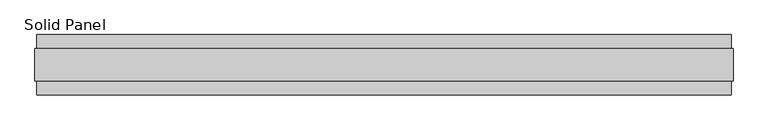
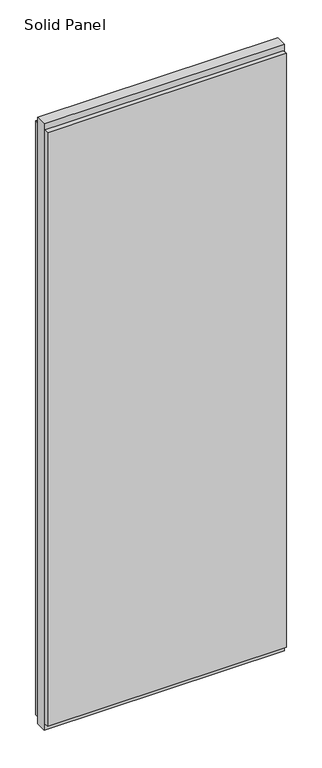
"""IFC4 building model written with IfcOpenShell, lengths in millimetres: plate geometry, Solid Panel."""

from ifc_helpers import new_model, si_unit, frame, origin, origin_with_axes, place, context, project, spatial, polyline, outline, extrude, source, transform, mapped, element, save


def solid_panel_04c9ac7c(model_context):
    return source(origin(), model_context, "Body", "SweptSolid", [
        extrude(outline(polyline([(558.9778, -48.4531867), (-558.9778, -48.4531867), (-558.9778, -25.9961), (558.9778, -25.9961), (558.9778, -48.4531867)])), frame((0.0, 0.0, 32.004), z_axis=(0.0, 0.0, 1.0), x_axis=(1.0, 0.0, 0.0)), (0.0, 0.0, 1.0), 2933.192),
        extrude(outline(polyline([(558.9778, 25.9977), (-558.9778, 25.9977), (-558.9778, 48.4547867), (558.9778, 48.4547867), (558.9778, 25.9977)])), frame((0.0, 0.0, 32.004), z_axis=(0.0, 0.0, 1.0), x_axis=(1.0, 0.0, 0.0)), (0.0, 0.0, 1.0), 2933.192),
        extrude(outline(polyline([(561.975, -25.9961), (-561.975, -25.9961), (-561.975, 25.9977), (561.975, 25.9977), (561.975, -25.9961)])), origin_with_axes(), (0.0, 0.0, 1.0), 2997.2),
    ])


if __name__ == "__main__":
    model = new_model("IFC4")
    model_context = context("Model", 3, world=origin())
    ifc_project = project(units=[si_unit("LENGTHUNIT", "METRE", prefix="MILLI")], contexts=[model_context])
    site = spatial("IfcSite", under=ifc_project)
    building = spatial("IfcBuilding", under=site)
    placement = place(None, origin())
    solid_panel_shape = solid_panel_04c9ac7c(model_context)
    element("IfcPlate", 1, ObjectType="Solid Panel", at=placement, inside=building, context=model_context, shape_type="MappedRepresentation", body=[
        mapped(solid_panel_shape, transform((0.0, 0.0, 0.0), x_axis=(1.0, 0.0, 0.0), y_axis=(0.0, 1.0, 0.0), z_axis=(0.0, 0.0, 1.0))),
    ])
    save(model, "model.ifc")
